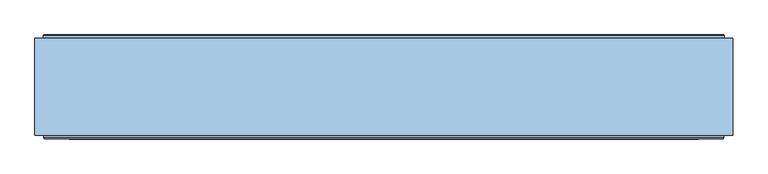
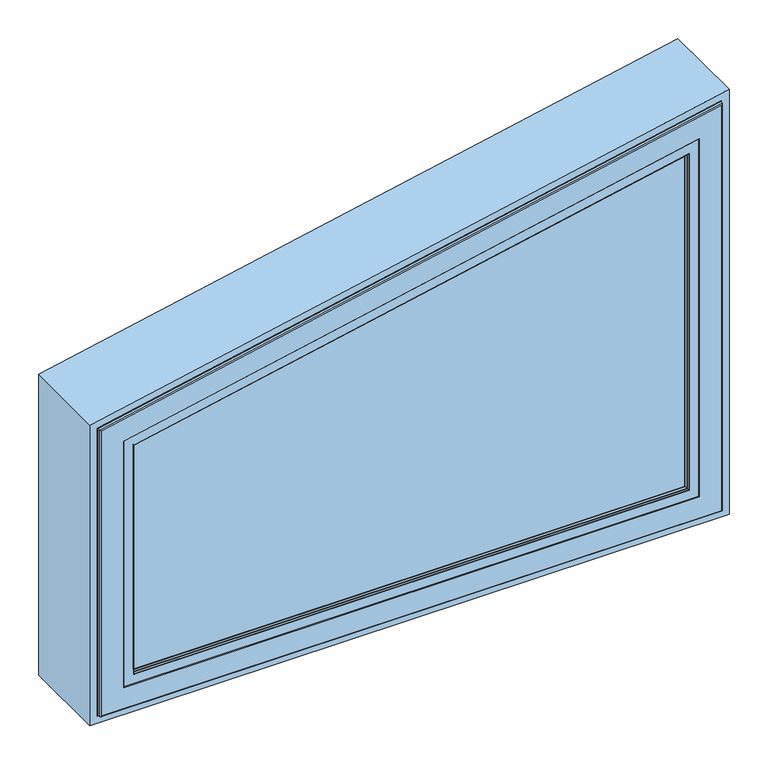
"""IFC4 building model written with IfcOpenShell, lengths in millimetres: window geometry."""

from ifc_helpers import new_model, si_unit, frame, origin, place, context, project, spatial, polyline, ellipse_curve, outline, extrude, faceted_brep, source, transform, mapped, element, save
from ifc_brep_helpers import plane_surface, cylinder_surface, revolved_surface, advanced_brep


def window_1c746eb2(model_context):
    return source(origin(), model_context, "Body", "SolidModel", [
        extrude(outline(polyline([(1441.8042241, 450.514074), (1257.1673086, -450.514074), (849.485926, -450.514074), (849.485926, 450.514074), (1441.8042241, 450.514074)])), frame((0.0, -146.5000019, 0.0), z_axis=(0.0, 1.0, 0.0), x_axis=(0.0, 0.0, 1.0)), (0.0, 0.0, 1.0), 28.0000001),
        extrude(outline(polyline([(1502.4590164, 500.0), (1297.5409836, -500.0), (800.0, -500.0), (800.0, 500.0), (1502.4590164, 500.0)]), holes=[polyline([(1287.7506424, -488.0), (1487.7506424, 488.0), (812.0, 488.0), (812.0, -488.0), (1287.7506424, -488.0)])]), frame((0.0, -148.3866107, 0.0), z_axis=(0.0, 1.0, 0.0), x_axis=(0.0, 0.0, 1.0)), (0.0, 0.0, 1.0), 138.3866091),
        advanced_brep(
        [(-478.0, -6.5000014, 1279.5920247), (-478.0, -6.5000014, 822.0), (-479.5, -5.0000014, 820.5), (-479.5, -5.0000014, 1280.8158174), (-478.0, -142.5000016, 1279.5920247), (-478.0, -142.5000016, 822.0), (-488.0, -6.5000014, 1287.7506424), (-488.0, -6.5000014, 812.0), (-488.0, -142.5000016, 812.0), (-488.0, -142.5000016, 1287.7506424), (-486.5, -5.0000014, 1286.5268497), (-486.5, -5.0000014, 813.5), (478.0, -6.5000014, 822.0), (479.5, -5.0000014, 820.5), (478.0, -142.5000016, 822.0), (488.0, -6.5000014, 812.0), (488.0, -142.5000016, 812.0), (486.5, -5.0000014, 813.5), (478.0, -6.5000014, 1475.4936641), (479.5, -5.0000014, 1477.3322108), (478.0, -142.5000016, 1475.4936641), (488.0, -6.5000014, 1487.7506424), (488.0, -142.5000016, 1487.7506424), (486.5, -5.0000014, 1485.9120957)],
        [
            (0, 1),
            (1, 2, ellipse_curve(frame((-479.5, -6.5000014, 820.5), z_axis=(-0.7071067811865475, 0.0, 0.7071067811865475), x_axis=(0.7071067811865474, 0.0, 0.7071067811865476)), 2.1213203, 1.5)),
            (2, 3),
            (3, 0, ellipse_curve(frame((-479.5, -6.5000014, 1280.8158174), z_axis=(-0.6321603596303063, 0.0, -0.774837582795312), x_axis=(-0.7748375827953122, 0.0, 0.6321603596303063)), 1.9358896, 1.5)),
            (4, 5),
            (5, 1),
            (0, 4),
            (6, 7),
            (7, 8),
            (8, 9),
            (9, 6),
            (10, 11),
            (11, 7, ellipse_curve(frame((-486.5, -6.5000014, 813.5), z_axis=(-0.7071067811865475, 0.0, 0.7071067811865475), x_axis=(0.7071067811865474, 0.0, 0.7071067811865476)), 2.1213203, 1.5)),
            (6, 10, ellipse_curve(frame((-486.5, -6.5000014, 1286.5268497), z_axis=(-0.6321603596303063, 0.0, -0.774837582795312), x_axis=(-0.7748375827953122, 0.0, 0.6321603596303063)), 1.9358896, 1.5)),
            (1, 12),
            (12, 13, ellipse_curve(frame((479.5, -6.5000014, 820.5), z_axis=(-0.7071067811865475, 0.0, -0.7071067811865475), x_axis=(-0.7071067811865476, 0.0, 0.7071067811865474)), 2.1213203, 1.5)),
            (13, 2),
            (5, 14),
            (14, 12),
            (7, 15),
            (15, 16),
            (16, 8),
            (11, 17),
            (17, 15, ellipse_curve(frame((486.5, -6.5000014, 813.5), z_axis=(-0.7071067811865475, 0.0, -0.7071067811865475), x_axis=(-0.7071067811865476, 0.0, 0.7071067811865474)), 2.1213203, 1.5)),
            (12, 18),
            (18, 19, ellipse_curve(frame((479.5, -6.5000014, 1477.3322108), z_axis=(0.7748375827953119, 0.0, -0.6321603596303063), x_axis=(-0.6321603596303063, 0.0, -0.774837582795312)), 2.3728157, 1.5)),
            (19, 13),
            (14, 20),
            (20, 18),
            (15, 21),
            (21, 22),
            (22, 16),
            (17, 23),
            (23, 21, ellipse_curve(frame((486.5, -6.5000014, 1485.9120957), z_axis=(0.7748375827953119, 0.0, -0.6321603596303063), x_axis=(-0.6321603596303063, 0.0, -0.774837582795312)), 2.3728157, 1.5)),
            (18, 0),
            (3, 19),
            (20, 4),
            (22, 9),
            (21, 6),
            (23, 10),
        ],
        [
            cylinder_surface(frame((-479.5, -6.5000014, 1287.7506424), z_axis=(0.0, 0.0, 1.0), x_axis=(1.0, 0.0, 0.0)), 1.5),
            plane_surface(frame((-478.0, -6.5000014, 1279.5920247), z_axis=(1.0, 0.0, 0.0), x_axis=(0.0, 0.0, -1.0))),
            plane_surface(frame((-488.0, -142.5000016, 1287.7506424), z_axis=(-1.0, 0.0, 0.0), x_axis=(0.0, 0.0, -1.0))),
            cylinder_surface(frame((-486.5, -6.5000014, 1287.7506424), z_axis=(0.0, 0.0, 1.0), x_axis=(1.0, 0.0, 0.0)), 1.5),
            cylinder_surface(frame((-488.0, -6.5000014, 820.5), z_axis=(-1.0, 0.0, 0.0), x_axis=(0.0, 0.0, 1.0)), 1.5),
            plane_surface(frame((-478.0, -6.5000014, 822.0), z_axis=(0.0, 0.0, 1.0), x_axis=(1.0, 0.0, 0.0))),
            plane_surface(frame((-488.0, -142.5000016, 812.0), z_axis=(0.0, 0.0, -1.0), x_axis=(1.0, 0.0, 0.0))),
            cylinder_surface(frame((-488.0, -6.5000014, 813.5), z_axis=(-1.0, 0.0, 0.0), x_axis=(0.0, 0.0, 1.0)), 1.5),
            cylinder_surface(frame((479.5, -6.5000014, 812.0), z_axis=(0.0, 0.0, -1.0), x_axis=(-1.0, 0.0, 0.0)), 1.5),
            plane_surface(frame((478.0, -6.5000014, 822.0), z_axis=(-1.0, 0.0, 0.0), x_axis=(0.0, 0.0, 1.0))),
            plane_surface(frame((488.0, -142.5000016, 812.0), z_axis=(1.0, 0.0, 0.0), x_axis=(0.0, 0.0, 1.0))),
            cylinder_surface(frame((486.5, -6.5000014, 812.0), z_axis=(0.0, 0.0, -1.0), x_axis=(-1.0, 0.0, 0.0)), 1.5),
            cylinder_surface(frame((489.7063458, -6.5000014, 1479.4236751), z_axis=(0.9796432099899232, 0.0, 0.20074655942416372), x_axis=(0.20074655942416372, 0.0, -0.9796432099899232)), 1.5),
            plane_surface(frame((478.0, -6.5000014, 1475.4936641), z_axis=(0.20074655942416333, 0.0, -0.9796432099899233), x_axis=(-0.9796432099899233, 0.0, -0.20074655942416333))),
            plane_surface(frame((478.0, -142.5000016, 1475.4936641), z_axis=(0.0, -1.0, 0.0), x_axis=(-0.9796432099899233, 0.0, -0.20074655942416358))),
            plane_surface(frame((488.0, -142.5000016, 1487.7506424), z_axis=(-0.2007465594241636, 0.0, 0.9796432099899233), x_axis=(-0.9796432099899233, 0.0, -0.2007465594241636))),
            cylinder_surface(frame((488.3011198, -6.5000014, 1486.2811776), z_axis=(0.9796432099899232, 0.0, 0.20074655942416372), x_axis=(0.20074655942416372, 0.0, -0.9796432099899232)), 1.5),
            plane_surface(frame((486.5, -5.0000014, 1485.9120957), z_axis=(0.0, 1.0000000000000002, 0.0), x_axis=(-0.9796432099899233, 0.0, -0.2007465594241636))),
        ],
        [
            (0, [[1, 2, 3, 4]]),
            (1, [[5, 6, -1, 7]]),
            (2, [[8, 9, 10, 11]]),
            (3, [[12, 13, -8, 14]]),
            (4, [[15, 16, 17, -2]]),
            (5, [[18, 19, -15, -6]]),
            (6, [[20, 21, 22, -9]]),
            (7, [[23, 24, -20, -13]]),
            (8, [[25, 26, 27, -16]]),
            (9, [[28, 29, -25, -19]]),
            (10, [[30, 31, 32, -21]]),
            (11, [[33, 34, -30, -24]]),
            (12, [[35, -4, 36, -26]]),
            (13, [[37, -7, -35, -29]]),
            (14, [[-10, -22, -32, 38], [-5, -37, -28, -18]]),
            (15, [[39, -11, -38, -31]]),
            (16, [[40, -14, -39, -34]]),
            (17, [[-12, -40, -33, -23], [-3, -17, -27, -36]]),
        ],
    ),
        faceted_brep([(-450.0, -142.5000017, 1256.7478952), (-450.0, -142.5000017, 850.0), (-450.0, -118.5000018, 850.0), (-450.0, -118.5000018, 1256.7478952), (-478.0, -63.3258286, 1279.5920247), (-478.0, -63.3258286, 822.0), (-478.0, -142.5000017, 822.0), (-478.0, -142.5000017, 1279.5920247), (-471.2, -59.5000018, 1274.0441647), (-471.2, -59.5000018, 828.8), (-471.2, -63.3258286, 828.8), (-471.2, -63.3258286, 1274.0441647), (-428.0, -118.5000018, 1238.7989364), (-428.0, -118.5000018, 872.0), (-428.0, -59.5000018, 872.0), (-428.0, -59.5000018, 1238.7989364), (450.0, -142.5000017, 850.0), (450.0, -118.5000018, 850.0), (478.0, -63.3258286, 822.0), (478.0, -142.5000017, 822.0), (471.2, -59.5000018, 828.8), (471.2, -63.3258286, 828.8), (428.0, -118.5000018, 872.0), (428.0, -59.5000018, 872.0), (450.0, -142.5000017, 1441.1741248), (450.0, -118.5000018, 1441.1741248), (478.0, -63.3258286, 1475.4936641), (478.0, -142.5000017, 1475.4936641), (471.2, -59.5000018, 1467.1589188), (471.2, -63.3258286, 1467.1589188), (428.0, -118.5000018, 1414.2087724), (428.0, -59.5000018, 1414.2087724)], [[[0, 1, 2, 3]], [[4, 5, 6, 7]], [[8, 9, 10, 11]], [[12, 13, 14, 15]], [[1, 16, 17, 2]], [[5, 18, 19, 6]], [[9, 20, 21, 10]], [[13, 22, 23, 14]], [[16, 24, 25, 17]], [[18, 26, 27, 19]], [[20, 28, 29, 21]], [[22, 30, 31, 23]], [[24, 0, 3, 25]], [[7, 6, 19, 27], [1, 0, 24, 16]], [[26, 4, 7, 27]], [[5, 4, 26, 18], [11, 10, 21, 29]], [[28, 8, 11, 29]], [[9, 8, 28, 20], [15, 14, 23, 31]], [[30, 12, 15, 31]], [[3, 2, 17, 25], [13, 12, 30, 22]]]),
        advanced_brep(
        [(-487.0, -152.5000018, 1286.9347806), (-487.0, -152.5000018, 813.0), (-485.5000001, -154.0000016, 814.4999999), (-485.5000001, -154.0000016, 1285.7109881), (-487.0, -148.3866107, 1286.9347806), (-487.0, -148.3866107, 813.0), (-488.0, -142.5000017, 1287.7506424), (-488.0, -142.5000017, 812.0), (-488.0, -148.3866107, 812.0), (-488.0, -148.3866107, 1287.7506424), (-450.0, -146.5000019, 1256.7478952), (-450.0, -146.5000019, 850.0), (-450.0, -142.5000017, 850.0), (-450.0, -142.5000017, 1256.7478952), (-431.5192538, -147.4871074, 1241.670161), (-431.5192538, -147.4871074, 868.4807462), (-431.4938789, -146.5000019, 868.5061211), (-431.4938789, -146.5000019, 1241.6494586), (-433.5962483, -148.7951832, 1243.3647014), (-433.5962483, -148.7951832, 866.4037517), (-434.0, -149.7544748, 1243.6941069), (-434.0, -149.7544748, 866.0), (-434.0, -153.0000016, 1243.6941069), (-434.0, -153.0000016, 866.0), (-434.5, -153.5000016, 1244.1020379), (-434.5, -153.5000016, 865.5), (-450.514074, -154.0000016, 1257.1673086), (-450.514074, -154.0000016, 849.485926), (-449.8, -153.5000016, 850.2), (-449.8, -153.5000016, 1256.5847229), (487.0, -152.5000018, 813.0), (485.5000001, -154.0000016, 814.4999999), (487.0, -148.3866107, 813.0), (488.0, -142.5000017, 812.0), (488.0, -148.3866107, 812.0), (450.0, -146.5000019, 850.0), (450.0, -142.5000017, 850.0), (431.5192538, -147.4871074, 868.4807462), (431.4938789, -146.5000019, 868.5061211), (433.5962483, -148.7951832, 866.4037517), (434.0, -149.7544748, 866.0), (434.0, -153.0000016, 866.0), (434.5, -153.5000016, 865.5), (450.514074, -154.0000016, 849.485926), (449.8, -153.5000016, 850.2), (487.0, -152.5000018, 1486.5249445), (485.5000001, -154.0000016, 1484.686398), (487.0, -148.3866107, 1486.5249445), (488.0, -142.5000017, 1487.7506424), (488.0, -148.3866107, 1487.7506424), (450.0, -146.5000019, 1441.1741248), (450.0, -142.5000017, 1441.1741248), (431.5192538, -147.4871074, 1418.5223142), (431.4938789, -146.5000019, 1418.4912122), (433.5962483, -148.7951832, 1421.0680819), (434.0, -149.7544748, 1421.5629594), (434.0, -153.0000016, 1421.5629594), (434.5, -153.5000016, 1422.1758083), (450.514074, -154.0000016, 1441.8042241), (449.8, -153.5000016, 1440.9289852)],
        [
            (0, 1),
            (1, 2, ellipse_curve(frame((-485.5000001, -152.5000018, 814.4999999), z_axis=(-0.7071067811865475, 0.0, 0.7071067811865475), x_axis=(0.7071067811865474, 0.0, 0.7071067811865476)), 2.1213201, 1.4999998)),
            (2, 3),
            (3, 0, ellipse_curve(frame((-485.5000001, -152.5000018, 1285.7109881), z_axis=(-0.6321603596303063, 0.0, -0.774837582795312), x_axis=(-0.7748375827953122, 0.0, 0.6321603596303063)), 1.9358894, 1.4999998)),
            (4, 5),
            (5, 1),
            (0, 4),
            (6, 7),
            (7, 8),
            (8, 9),
            (9, 6),
            (10, 11),
            (11, 12),
            (12, 13),
            (13, 10),
            (14, 15),
            (15, 16, ellipse_curve(frame((-431.4938789, -146.9938808, 868.5061211), z_axis=(-0.7071067811865475, 0.0, 0.7071067811865475), x_axis=(0.7071067811865474, 0.0, 0.7071067811865476)), 0.6984503, 0.4938789)),
            (16, 17),
            (17, 14, ellipse_curve(frame((-431.4938789, -146.9938808, 1241.6494586), z_axis=(-0.6321603596303063, 0.0, -0.774837582795312), x_axis=(-0.7748375827953122, 0.0, 0.6321603596303063)), 0.6373967, 0.4938789)),
            (18, 19),
            (19, 15, ellipse_curve(frame((-431.6227187, -149.6258125, 868.3772813), z_axis=(0.7071067811865475, 0.0, -0.7071067811865475), x_axis=(-0.7071067811865474, 0.0, -0.7071067811865476)), 3.028123, 2.1412063)),
            (14, 18, ellipse_curve(frame((-431.6227187, -149.6258125, 1241.754574), z_axis=(0.6321603596303063, 0.0, 0.774837582795312), x_axis=(0.7748375827953122, 0.0, -0.6321603596303063)), 2.763426, 2.1412063)),
            (20, 21),
            (21, 19),
            (18, 20),
            (22, 23),
            (23, 21),
            (20, 22),
            (24, 25),
            (25, 23, ellipse_curve(frame((-434.5, -153.0000016, 865.5), z_axis=(-0.7071067811865475, 0.0, 0.7071067811865475), x_axis=(0.7071067811865474, 0.0, 0.7071067811865476)), 0.7071068, 0.5)),
            (22, 24, ellipse_curve(frame((-434.5, -153.0000016, 1244.1020379), z_axis=(-0.6321603596303063, 0.0, -0.774837582795312), x_axis=(-0.7748375827953122, 0.0, 0.6321603596303063)), 0.6452966, 0.5)),
            (26, 27),
            (27, 28),
            (28, 29),
            (29, 26),
            (1, 30),
            (30, 31, ellipse_curve(frame((485.5000001, -152.5000018, 814.4999999), z_axis=(-0.7071067811865475, 0.0, -0.7071067811865475), x_axis=(-0.7071067811865476, 0.0, 0.7071067811865474)), 2.1213201, 1.4999998)),
            (31, 2),
            (5, 32),
            (32, 30),
            (7, 33),
            (33, 34),
            (34, 8),
            (11, 35),
            (35, 36),
            (36, 12),
            (15, 37),
            (37, 38, ellipse_curve(frame((431.4938789, -146.9938808, 868.5061211), z_axis=(-0.7071067811865475, 0.0, -0.7071067811865475), x_axis=(-0.7071067811865476, 0.0, 0.7071067811865474)), 0.6984503, 0.4938789)),
            (38, 16),
            (19, 39),
            (39, 37, ellipse_curve(frame((431.6227187, -149.6258125, 868.3772813), z_axis=(0.7071067811865475, 0.0, 0.7071067811865475), x_axis=(0.7071067811865476, 0.0, -0.7071067811865474)), 3.028123, 2.1412063)),
            (21, 40),
            (40, 39),
            (23, 41),
            (41, 40),
            (25, 42),
            (42, 41, ellipse_curve(frame((434.5, -153.0000016, 865.5), z_axis=(-0.7071067811865475, 0.0, -0.7071067811865475), x_axis=(-0.7071067811865476, 0.0, 0.7071067811865474)), 0.7071068, 0.5)),
            (27, 43),
            (43, 44),
            (44, 28),
            (30, 45),
            (45, 46, ellipse_curve(frame((485.5000001, -152.5000018, 1484.686398), z_axis=(0.7748375827953119, 0.0, -0.6321603596303063), x_axis=(-0.6321603596303063, 0.0, -0.774837582795312)), 2.3728154, 1.4999998)),
            (46, 31),
            (32, 47),
            (47, 45),
            (33, 48),
            (48, 49),
            (49, 34),
            (35, 50),
            (50, 51),
            (51, 36),
            (37, 52),
            (52, 53, ellipse_curve(frame((431.4938789, -146.9938808, 1418.4912122), z_axis=(0.7748375827953119, 0.0, -0.6321603596303063), x_axis=(-0.6321603596303063, 0.0, -0.774837582795312)), 0.7812558, 0.4938789)),
            (53, 38),
            (39, 54),
            (54, 52, ellipse_curve(frame((431.6227187, -149.6258125, 1418.6491309), z_axis=(-0.7748375827953119, 0.0, 0.6321603596303063), x_axis=(0.6321603596303063, 0.0, 0.774837582795312)), 3.3871252, 2.1412063)),
            (40, 55),
            (55, 54),
            (41, 56),
            (56, 55),
            (42, 57),
            (57, 56, ellipse_curve(frame((434.5, -153.0000016, 1422.1758083), z_axis=(0.7748375827953119, 0.0, -0.6321603596303063), x_axis=(-0.6321603596303063, 0.0, -0.774837582795312)), 0.7909386, 0.5)),
            (43, 58),
            (58, 59),
            (59, 44),
            (46, 3),
            (26, 58),
            (45, 0),
            (47, 4),
            (49, 9),
            (48, 6),
            (51, 13),
            (50, 10),
            (53, 17),
            (52, 14),
            (54, 18),
            (55, 20),
            (56, 22),
            (57, 24),
            (59, 29),
        ],
        [
            cylinder_surface(frame((-485.5000001, -152.5000018, 1287.7506424), z_axis=(0.0, 0.0, 1.0), x_axis=(1.0, 0.0, 0.0)), 1.4999998),
            plane_surface(frame((-487.0, -152.5000018, 1286.9347806), z_axis=(-1.0, 0.0, 0.0), x_axis=(0.0, 0.0, -1.0))),
            plane_surface(frame((-488.0, -148.3866107, 1287.7506424), z_axis=(-1.0, 0.0, 0.0), x_axis=(0.0, 0.0, -1.0))),
            plane_surface(frame((-450.0, -142.5000017, 1256.7478952), z_axis=(1.0, 0.0, 0.0), x_axis=(0.0, 0.0, -1.0))),
            cylinder_surface(frame((-431.4938789, -146.9938808, 1287.7506424), z_axis=(0.0, 0.0, 1.0), x_axis=(1.0, 0.0, 0.0)), 0.4938789),
            revolved_surface(polyline([(-429.4815124, -149.6258125, 866.236074992433), (-429.4815124, -149.6258125, 1243.5015023739718)]), (-431.6227187, -149.6258125, 1287.7506424), (0.0, 0.0, -1.0)),
            plane_surface(frame((-433.5962483, -148.7951832, 1243.3647014), z_axis=(0.9216905703602581, -0.387925885329894, 0.0), x_axis=(0.0, 0.0, -1.0))),
            plane_surface(frame((-434.0, -149.7544748, 1243.6941069), z_axis=(1.0, 0.0, 0.0), x_axis=(0.0, 0.0, -1.0))),
            cylinder_surface(frame((-434.5, -153.0000016, 1287.7506424), z_axis=(0.0, 0.0, 1.0), x_axis=(1.0, 0.0, 0.0)), 0.5),
            plane_surface(frame((-449.8, -153.5000016, 1256.5847229), z_axis=(0.5735764363510224, -0.8191520442890083, 0.0), x_axis=(0.0, 0.0, -1.0))),
            cylinder_surface(frame((-488.0, -152.5000018, 814.4999999), z_axis=(-1.0, 0.0, 0.0), x_axis=(0.0, 0.0, 1.0)), 1.4999998),
            plane_surface(frame((-487.0, -152.5000018, 813.0), z_axis=(0.0, 0.0, -1.0), x_axis=(1.0, 0.0, 0.0))),
            plane_surface(frame((-488.0, -148.3866107, 812.0), z_axis=(0.0, 0.0, -1.0), x_axis=(1.0, 0.0, 0.0))),
            plane_surface(frame((-450.0, -142.5000017, 850.0), z_axis=(0.0, 0.0, 1.0), x_axis=(1.0, 0.0, 0.0))),
            cylinder_surface(frame((-488.0, -146.9938808, 868.5061211), z_axis=(-1.0, 0.0, 0.0), x_axis=(0.0, 0.0, 1.0)), 0.4938789),
            revolved_surface(polyline([(433.76392500756685, -149.6258125, 870.5184876000001), (-433.76392500756697, -149.6258125, 870.5184876000001)]), (-488.0, -149.6258125, 868.3772813), (1.0, 0.0, 0.0)),
            plane_surface(frame((-433.5962483, -148.7951832, 866.4037517), z_axis=(0.0, -0.387925885329897, 0.9216905703602569), x_axis=(1.0, 0.0, 0.0))),
            plane_surface(frame((-434.0, -149.7544748, 866.0), z_axis=(0.0, 0.0, 1.0), x_axis=(1.0, 0.0, 0.0))),
            cylinder_surface(frame((-488.0, -153.0000016, 865.5), z_axis=(-1.0, 0.0, 0.0), x_axis=(0.0, 0.0, 1.0)), 0.5),
            plane_surface(frame((-449.8, -153.5000016, 850.2), z_axis=(0.0, -0.8191520442890102, 0.5735764363510197), x_axis=(1.0, 0.0, 0.0))),
            cylinder_surface(frame((485.5000001, -152.5000018, 812.0), z_axis=(0.0, 0.0, -1.0), x_axis=(-1.0, 0.0, 0.0)), 1.4999998),
            plane_surface(frame((487.0, -152.5000018, 813.0), z_axis=(1.0, 0.0, 0.0), x_axis=(0.0, 0.0, 1.0))),
            plane_surface(frame((488.0, -148.3866107, 812.0), z_axis=(1.0, 0.0, 0.0), x_axis=(0.0, 0.0, 1.0))),
            plane_surface(frame((450.0, -142.5000017, 850.0), z_axis=(-1.0, 0.0, 0.0), x_axis=(0.0, 0.0, 1.0))),
            cylinder_surface(frame((431.4938789, -146.9938808, 812.0), z_axis=(0.0, 0.0, -1.0), x_axis=(-1.0, 0.0, 0.0)), 0.4938789),
            revolved_surface(polyline([(429.4815124, -149.6258125, 1421.2736028025931), (429.4815124, -149.6258125, 866.2360749924331)]), (431.6227187, -149.6258125, 812.0), (0.0, 0.0, 1.0)),
            plane_surface(frame((433.5962483, -148.7951832, 866.4037517), z_axis=(-0.9216905703602557, -0.3879258853299, 0.0), x_axis=(0.0, 0.0, 1.0))),
            plane_surface(frame((434.0, -149.7544748, 866.0), z_axis=(-1.0, 0.0, 0.0), x_axis=(0.0, 0.0, 1.0))),
            cylinder_surface(frame((434.5, -153.0000016, 812.0), z_axis=(0.0, 0.0, -1.0), x_axis=(-1.0, 0.0, 0.0)), 0.5),
            plane_surface(frame((449.8, -153.5000016, 850.2), z_axis=(-0.5735764363510171, -0.8191520442890121, 0.0), x_axis=(0.0, 0.0, 1.0))),
            plane_surface(frame((450.514074, -154.0000016, 1441.8042241), z_axis=(0.0, -1.0000000000000002, 0.0), x_axis=(-0.9796432099899233, 0.0, -0.2007465594241636))),
            cylinder_surface(frame((488.5018664, -152.5000018, 1485.3015345), z_axis=(0.9796432099899232, 0.0, 0.20074655942416372), x_axis=(0.20074655942416372, 0.0, -0.9796432099899232)), 1.4999998),
            plane_surface(frame((487.0, -152.5000018, 1486.5249445), z_axis=(-0.2007465594241637, 0.0, 0.9796432099899233), x_axis=(-0.9796432099899233, 0.0, -0.2007465594241637))),
            plane_surface(frame((487.0, -148.3866107, 1486.5249445), z_axis=(0.0, -1.0, 0.0), x_axis=(-0.9796432099899233, 0.0, -0.20074655942416358))),
            plane_surface(frame((488.0, -148.3866107, 1487.7506424), z_axis=(-0.20074655942416353, 0.0, 0.9796432099899233), x_axis=(-0.9796432099899233, 0.0, -0.20074655942416353))),
            plane_surface(frame((488.0, -142.5000017, 1487.7506424), z_axis=(0.0, 1.0, 0.0), x_axis=(-0.9796432099899233, 0.0, -0.20074655942416353))),
            plane_surface(frame((450.0, -142.5000017, 1441.1741248), z_axis=(0.20074655942416378, 0.0, -0.9796432099899232), x_axis=(-0.9796432099899232, 0.0, -0.20074655942416378))),
            plane_surface(frame((450.0, -146.5000019, 1441.1741248), z_axis=(0.0, 1.0000000000000002, 0.0), x_axis=(-0.9796432099899233, 0.0, -0.2007465594241636))),
            cylinder_surface(frame((499.3434094, -146.9938808, 1432.3948046), z_axis=(0.9796432099899232, 0.0, 0.20074655942416372), x_axis=(0.20074655942416372, 0.0, -0.9796432099899232)), 0.4938789),
            revolved_surface(polyline([(-432.9042454337642, -149.6258125, 1239.306265983021), (434.62360457628216, -149.6258125, 1417.0783663949148)]), (499.3175453, -149.6258125, 1432.5210216), (-0.9796432099899232, 0.0, -0.20074655942416372)),
            plane_surface(frame((433.5962483, -148.7951832, 1421.0680819), z_axis=(0.185026210853518, -0.3879258853298964, -0.9029279089651652), x_axis=(-0.9796432099899232, 0.0, -0.2007465594241638))),
            plane_surface(frame((434.0, -149.7544748, 1421.5629594), z_axis=(0.20074655942416372, 0.0, -0.9796432099899232), x_axis=(-0.9796432099899232, 0.0, -0.20074655942416372))),
            cylinder_surface(frame((498.7399409, -153.0000016, 1435.3397307), z_axis=(0.9796432099899232, 0.0, 0.20074655942416372), x_axis=(0.20074655942416372, 0.0, -0.9796432099899232)), 0.5),
            plane_surface(frame((434.5, -153.5000016, 1422.1758083), z_axis=(0.0, -1.0, 0.0), x_axis=(-0.9796432099899233, 0.0, -0.20074655942416342))),
            plane_surface(frame((449.8, -153.5000016, 1440.9289852), z_axis=(0.11514349616424276, -0.81915204428901, -0.5619002612814938), x_axis=(-0.9796432099899232, 0.0, -0.20074655942416378))),
        ],
        [
            (0, [[1, 2, 3, 4]]),
            (1, [[5, 6, -1, 7]]),
            (2, [[8, 9, 10, 11]]),
            (3, [[12, 13, 14, 15]]),
            (4, [[16, 17, 18, 19]]),
            (5, [[20, 21, -16, 22]]),
            (6, [[23, 24, -20, 25]]),
            (7, [[26, 27, -23, 28]]),
            (8, [[29, 30, -26, 31]]),
            (9, [[32, 33, 34, 35]]),
            (10, [[36, 37, 38, -2]]),
            (11, [[39, 40, -36, -6]]),
            (12, [[41, 42, 43, -9]]),
            (13, [[44, 45, 46, -13]]),
            (14, [[47, 48, 49, -17]]),
            (15, [[50, 51, -47, -21]]),
            (16, [[52, 53, -50, -24]]),
            (17, [[54, 55, -52, -27]]),
            (18, [[56, 57, -54, -30]]),
            (19, [[58, 59, 60, -33]]),
            (20, [[61, 62, 63, -37]]),
            (21, [[64, 65, -61, -40]]),
            (22, [[66, 67, 68, -42]]),
            (23, [[69, 70, 71, -45]]),
            (24, [[72, 73, 74, -48]]),
            (25, [[75, 76, -72, -51]]),
            (26, [[77, 78, -75, -53]]),
            (27, [[79, 80, -77, -55]]),
            (28, [[81, 82, -79, -57]]),
            (29, [[83, 84, 85, -59]]),
            (30, [[-3, -38, -63, 86], [-32, 87, -83, -58]]),
            (31, [[88, -4, -86, -62]]),
            (32, [[89, -7, -88, -65]]),
            (33, [[-10, -43, -68, 90], [-5, -89, -64, -39]]),
            (34, [[91, -11, -90, -67]]),
            (35, [[-8, -91, -66, -41], [-14, -46, -71, 92]]),
            (36, [[93, -15, -92, -70]]),
            (37, [[-12, -93, -69, -44], [-18, -49, -74, 94]]),
            (38, [[95, -19, -94, -73]]),
            (39, [[96, -22, -95, -76]]),
            (40, [[97, -25, -96, -78]]),
            (41, [[98, -28, -97, -80]]),
            (42, [[99, -31, -98, -82]]),
            (43, [[-34, -60, -85, 100], [-29, -99, -81, -56]]),
            (44, [[-87, -35, -100, -84]]),
        ],
    ),
    ])


if __name__ == "__main__":
    model = new_model("IFC4")
    model_context = context("Model", 3, world=origin())
    ifc_project = project(units=[si_unit("LENGTHUNIT", "METRE", prefix="MILLI")], contexts=[model_context])
    site = spatial("IfcSite", under=ifc_project)
    building = spatial("IfcBuilding", under=site)
    placement = place(None, origin())
    window_shape = window_1c746eb2(model_context)
    element("IfcWindow", 1, at=placement, inside=building, context=model_context, shape_type="MappedRepresentation", body=[
        mapped(window_shape, transform((0.0, 0.0, 0.0), x_axis=(1.0, 0.0, 0.0), y_axis=(0.0, 1.0, 0.0), z_axis=(0.0, 0.0, 1.0))),
    ])
    save(model, "model.ifc")
